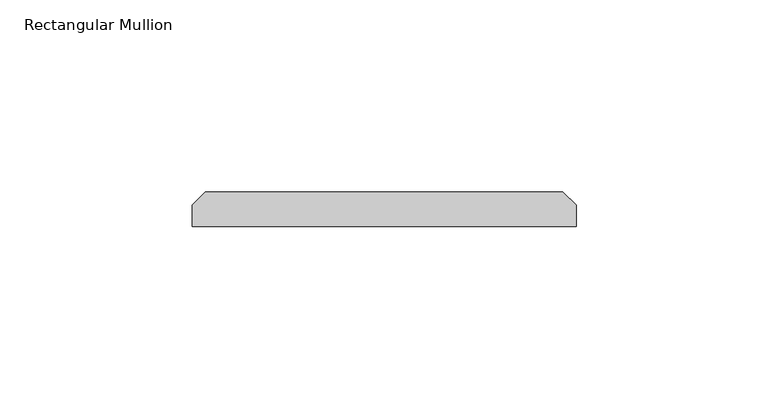
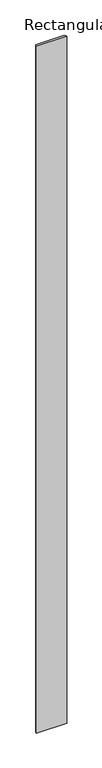
"""IFC4 building model written with IfcOpenShell, lengths in millimetres: member geometry, Rectangular Mullion."""

from ifc_helpers import new_model, si_unit, frame, origin, place, context, project, spatial, polyline, outline, extrude, source, transform, mapped, element, save


def rectangular_mullion_e3af7476(model_context):
    return source(origin(), model_context, "Body", "SweptSolid", [
        extrude(outline(polyline([(50.0, 0.0), (-50.0, 0.0), (-50.0, 5.5), (-46.5, 9.0), (46.5, 9.0), (50.0, 5.5), (50.0, 0.0)])), frame((0.0, 0.0, -2400.0), z_axis=(0.0, 0.0, 1.0), x_axis=(1.0, 0.0, 0.0)), (0.0, 0.0, 1.0), 2400.0),
    ])


if __name__ == "__main__":
    model = new_model("IFC4")
    model_context = context("Model", 3, world=origin())
    ifc_project = project(units=[si_unit("LENGTHUNIT", "METRE", prefix="MILLI")], contexts=[model_context])
    site = spatial("IfcSite", under=ifc_project)
    building = spatial("IfcBuilding", under=site)
    placement = place(None, origin())
    rectangular_mullion_shape = rectangular_mullion_e3af7476(model_context)
    element("IfcMember", 1, ObjectType="Rectangular Mullion", at=placement, inside=building, context=model_context, shape_type="MappedRepresentation", body=[
        mapped(rectangular_mullion_shape, transform((0.0, 0.0, 0.0), x_axis=(1.0, 0.0, 0.0), y_axis=(0.0, 1.0, 0.0), z_axis=(0.0, 0.0, 1.0))),
    ])
    save(model, "model.ifc")
